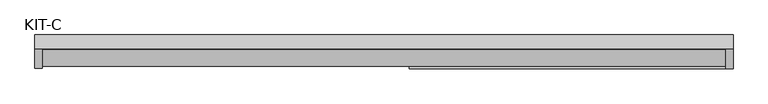
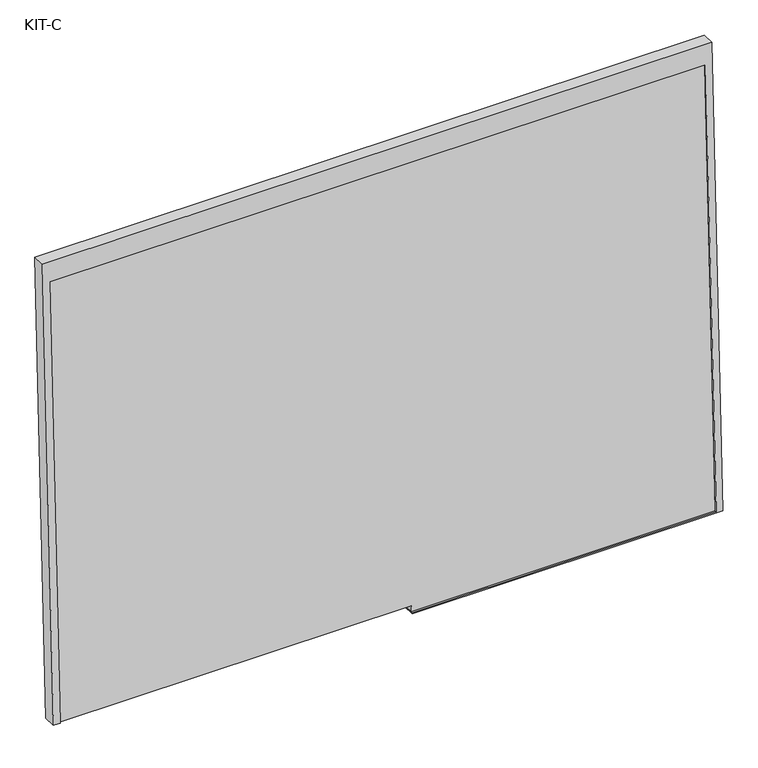
"""IFC4 building model written with IfcOpenShell, lengths in millimetres: plate geometry, KIT-C."""

from ifc_helpers import new_model, si_unit, frame, origin, place, context, project, spatial, polyline, outline, extrude, source, transform, mapped, element, save


def kit_c_bc07536d(model_context):
    return source(origin(), model_context, "Body", "SweptSolid", [
        extrude(outline(polyline([(0.0, 0.0), (0.0, -1754.0), (-1236.531593, -1754.0), (-1236.531593, -941.5), (-1220.0, -941.5), (-1220.0, 0.0), (0.0, 0.0)])), frame((-877.0, 7.6386598, 1185.0003484), z_axis=(0.0, -0.9992101801000246, 0.039736834102334216), x_axis=(0.0, 0.039736834102334216, 0.9992101801000246)), (0.0, 0.0, 1.0), 27.4505712),
        extrude(outline(polyline([(0.0, 0.0), (0.0, -1791.0), (-1295.0000001, -1791.0), (-1295.0000001, -960.0), (-1291.531593, -960.0), (-1291.531593, -1772.5), (-55.0, -1772.5), (-55.0, -18.5), (-1275.0000001, -18.5), (-1275.0000001, 0.0), (0.0, 0.0)])), frame((-895.5, 12.3716008, 1239.8556021), z_axis=(0.0, -0.9992101801000247, 0.03973683410233422), x_axis=(0.0, 0.03973683410233422, 0.9992101801000247)), (0.0, 0.0, 1.0), 35.0),
    ])


if __name__ == "__main__":
    model = new_model("IFC4")
    model_context = context("Model", 3, world=origin())
    ifc_project = project(units=[si_unit("LENGTHUNIT", "METRE", prefix="MILLI")], contexts=[model_context])
    site = spatial("IfcSite", under=ifc_project)
    building = spatial("IfcBuilding", under=site)
    placement = place(None, origin())
    kit_c_shape = kit_c_bc07536d(model_context)
    element("IfcPlate", 1, ObjectType="KIT-C", at=placement, inside=building, context=model_context, shape_type="MappedRepresentation", body=[
        mapped(kit_c_shape, transform((0.0, 0.0, 0.0), x_axis=(1.0, 0.0, 0.0), y_axis=(0.0, 1.0, 0.0), z_axis=(0.0, 0.0, 1.0))),
    ])
    save(model, "model.ifc")
